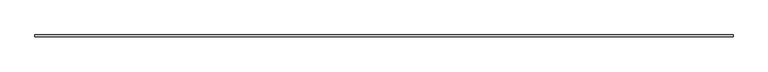
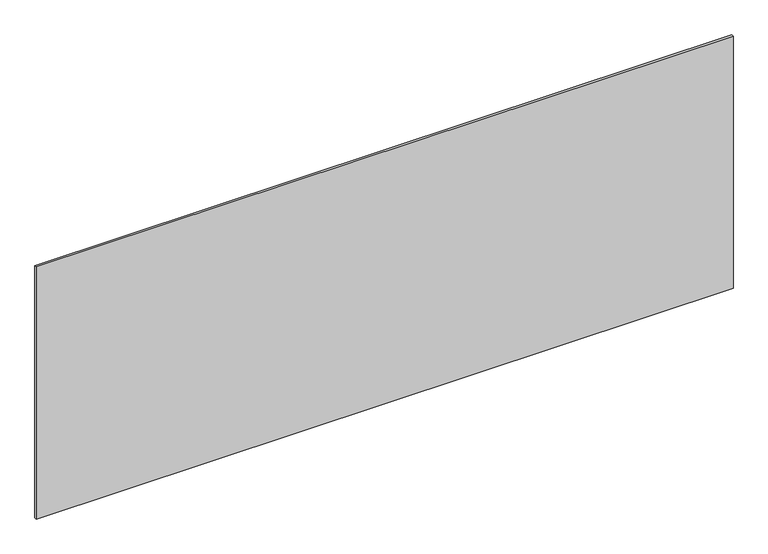
"""IFC4 building model written with IfcOpenShell, lengths in millimetres: plate geometry."""

from ifc_helpers import new_model, si_unit, origin, origin_with_axes, place, context, project, spatial, polyline, outline, extrude, source, transform, mapped, element, save


def plate_88d5d3b8(model_context):
    return source(origin(), model_context, "Body", "SweptSolid", [
        extrude(outline(polyline([(1715.0, -5.0), (-1715.0, -5.0), (-1715.0, 5.0), (1715.0, 5.0), (1715.0, -5.0)])), origin_with_axes(), (0.0, 0.0, 1.0), 1312.0052046),
    ])


if __name__ == "__main__":
    model = new_model("IFC4")
    model_context = context("Model", 3, world=origin())
    ifc_project = project(units=[si_unit("LENGTHUNIT", "METRE", prefix="MILLI")], contexts=[model_context])
    site = spatial("IfcSite", under=ifc_project)
    building = spatial("IfcBuilding", under=site)
    placement = place(None, origin())
    plate_shape = plate_88d5d3b8(model_context)
    element("IfcPlate", 1, at=placement, inside=building, context=model_context, shape_type="MappedRepresentation", body=[
        mapped(plate_shape, transform((0.0, 0.0, 0.0), x_axis=(1.0, 0.0, 0.0), y_axis=(0.0, 1.0, 0.0), z_axis=(0.0, 0.0, 1.0))),
    ])
    save(model, "model.ifc")
